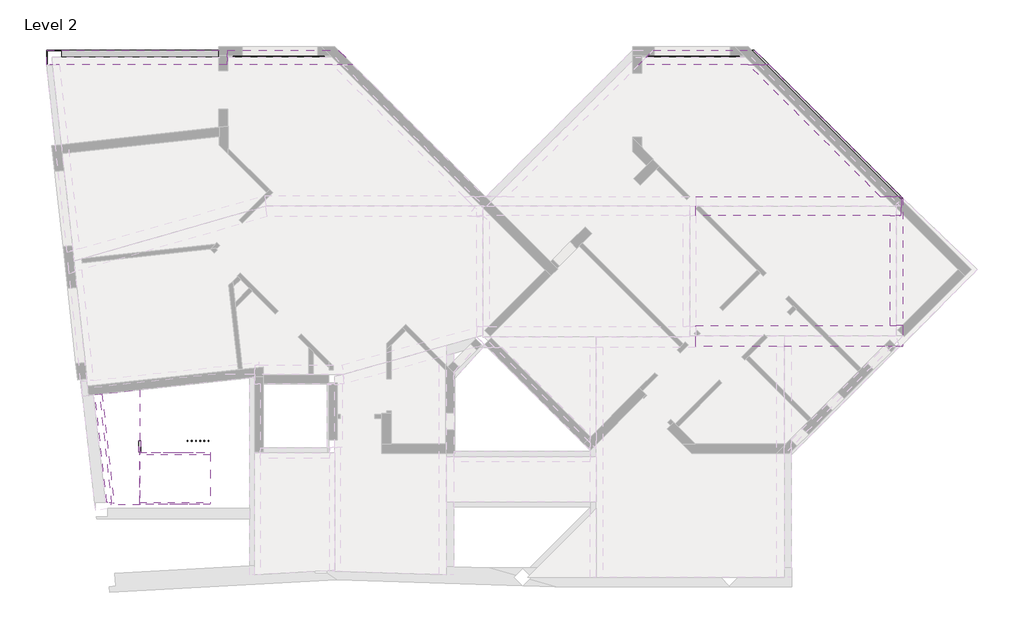
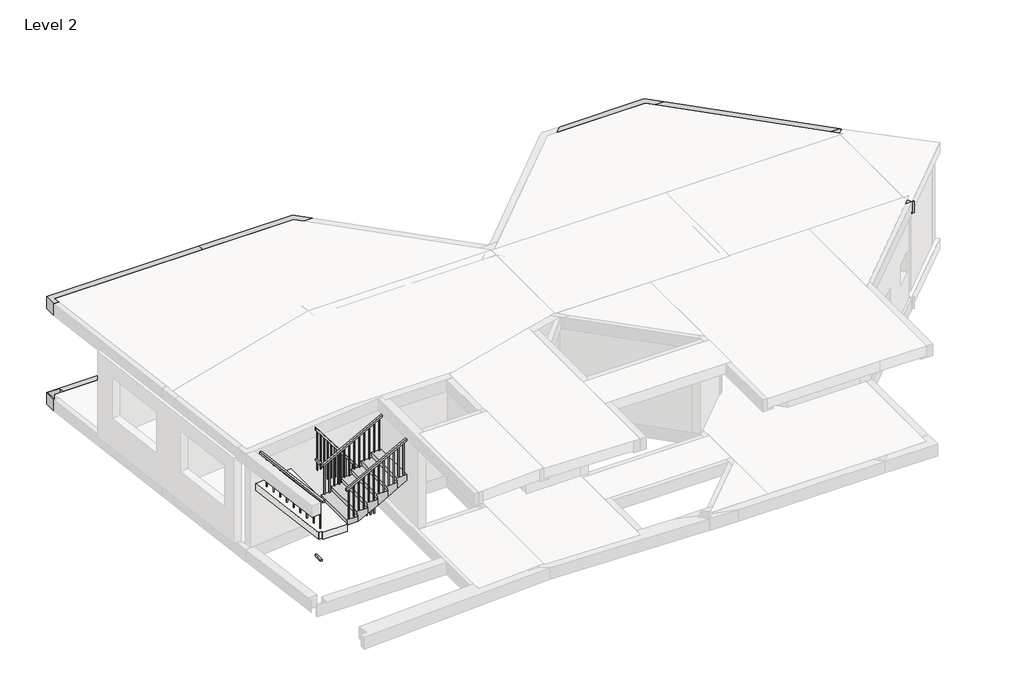
# One storey, part 5 of 5: 13 beams, 6 railings, 1 slab, 1 stair flight.
"""IFC4 building model written with IfcOpenShell, lengths in millimetres."""

from ifc_helpers import new_model, si_unit, frame, origin, place, context, project, spatial, polyline, outline, extrude, faceted_brep, element, save

model = new_model("IFC4")

# Units and contexts
model_context = context("Model", 3, world=origin())
ifc_project = project(units=[si_unit("LENGTHUNIT", "METRE", prefix="MILLI")], contexts=[model_context])

# Site, building, storey
site = spatial("IfcSite", under=ifc_project)
building = spatial("IfcBuilding", under=site)
storey = spatial("IfcBuildingStorey", under=building, Name="Level 2", Elevation=4250.0)

# Beams
placement = place(None, origin())
element("IfcBeam", 1, ObjectType="Concrete-Rectangular Beam : 300 x 350mm 2", at=placement, inside=storey, context=model_context, shape_type="Brep", body=[
    faceted_brep([(19862.6158019, -3743.9837675, 3900.0), (19862.6158019, -6362.0, 3900.0), (19862.6158019, -6362.0, 3950.0), (19862.6158019, -3743.9837675, 3950.0), (20162.6158019, -6362.0, 3900.0), (20080.9837675, -3743.9837675, 3900.0), (20125.9585144, -3743.9837675, 3900.0), (20125.9585144, -3617.7730894, 3900.0), (20162.6158019, -3581.1158019, 3900.0), (20162.6158019, -3581.1158019, 3950.0), (20162.6158019, -6362.0, 3950.0), (20125.9585144, -3743.9837675, 3950.0), (20125.9585144, -3617.7730894, 3950.0)], [[[0, 1, 2, 3]], [[4, 1, 0, 5, 6, 7, 8]], [[4, 8, 9, 10]], [[1, 4, 10, 2]], [[5, 0, 3, 11, 6]], [[7, 6, 11, 12]], [[8, 7, 12, 9]], [[3, 2, 10, 9, 12, 11]]]),
    faceted_brep([(20162.6158019, -3330.6410551, 3950.0), (20125.9585144, -3367.2983426, 3950.0), (20125.9585144, -3420.1944457, 3950.0), (20162.6158019, -3456.8517332, 3950.0), (20125.9585144, -3293.9837675, 4250.0), (20162.6158019, -3330.6410551, 4250.0), (20162.6158019, -3330.6410551, 3900.0), (20125.9585144, -3293.9837675, 3900.0), (20125.9585144, -3420.1944457, 3900.0), (20162.6158019, -3456.8517332, 3900.0), (20125.9585144, -3367.2983426, 4250.0)], [[[0, 1, 2, 3]], [[4, 5, 0, 6, 7]], [[8, 9, 3, 2]], [[5, 4, 10]], [[7, 6, 9, 8]], [[9, 6, 0, 3]], [[4, 7, 8, 2, 1, 10]], [[1, 0, 5, 10]]]),
])
element("IfcBeam", 2, ObjectType="Concrete-Rectangular Beam : 300 x 350mm 2", at=placement, inside=storey, context=model_context, shape_type="Brep", body=[
    faceted_brep([(20162.6158019, -3330.6410551, 7100.0), (20125.9585144, -3293.9837675, 7100.0), (20125.9585144, -3367.2983426, 7100.0), (19862.6158019, -6362.0, 6750.0), (19862.6158019, -6362.0, 6800.0), (19862.6158019, -3743.9837675, 6800.0), (19862.6158019, -3743.9837675, 6750.0), (20162.6158019, -6362.0, 6750.0), (20080.9837675, -3743.9837675, 6750.0), (20125.9585144, -3743.9837675, 6750.0), (20125.9585144, -3293.9837675, 6750.0), (20162.6158019, -3330.6410551, 6750.0), (20162.6158019, -3330.6410551, 6800.0), (20162.6158019, -6362.0, 6800.0), (20080.9837675, -3743.9837675, 6800.0), (20125.9585144, -3743.9837675, 6800.0), (20125.9585144, -3367.2983426, 6800.0)], [[[0, 1, 2]], [[3, 4, 5, 6]], [[7, 3, 6, 8, 9, 10, 11]], [[12, 13, 7, 11]], [[3, 7, 13, 4]], [[6, 5, 14, 15, 9, 8]], [[5, 4, 13, 12, 16, 15, 14]], [[1, 0, 12, 11, 10]], [[10, 9, 15, 16, 2, 1]], [[16, 12, 0, 2]]]),
])
element("IfcBeam", 3, ObjectType="Concrete-Rectangular Beam : 350 x 350mm 2", at=placement, inside=storey, context=model_context, shape_type="Brep", body=[
    faceted_brep([(4100.0, 191.0, 4250.0), (-190.5522388, 191.0, 4250.0), (-190.5522388, -159.0, 4250.0), (-175.0, -159.0, 4250.0), (-175.0, 175.0, 4250.0), (175.0, 175.0, 4250.0), (175.0, 16.0, 4250.0), (3953.5, 16.0, 4250.0), (3953.5, 146.0, 4250.0), (4100.0, 146.0, 4250.0), (175.0, -159.0, 3900.0), (4100.0, -159.0, 3900.0), (4100.0, -159.0, 3950.0), (175.0, -159.0, 3950.0), (-190.5522388, 191.0, 3900.0), (4100.0, 191.0, 3900.0), (4100.0, 146.0, 3900.0), (3953.5, 146.0, 3900.0), (3953.5, -154.0, 3900.0), (4100.0, -154.0, 3900.0), (175.0, 175.0, 3900.0), (-175.0, 175.0, 3900.0), (-175.0, -159.0, 3900.0), (-190.5522388, -159.0, 3900.0), (4100.0, -154.0, 3950.0), (175.0, 16.0, 3950.0), (3953.5, 16.0, 3950.0), (3953.5, -154.0, 3950.0)], [[[0, 1, 2, 3, 4, 5, 6, 7, 8, 9]], [[10, 11, 12, 13]], [[14, 15, 16, 17, 18, 19, 11, 10, 20, 21, 22, 23]], [[1, 0, 15, 14]], [[1, 14, 23, 2]], [[11, 19, 24, 12]], [[20, 5, 4, 21]], [[5, 20, 10, 13, 25, 6]], [[8, 17, 16, 9]], [[17, 8, 7, 26, 27, 18]], [[19, 18, 27, 24]], [[15, 0, 9, 16]], [[21, 4, 3, 22]], [[2, 23, 22, 3]], [[26, 25, 13, 12, 24, 27]], [[25, 26, 7, 6]]]),
])
element("IfcBeam", 4, ObjectType="Concrete-Rectangular Beam : 350 x 350mm 2", at=placement, inside=storey, context=model_context, shape_type="Brep", body=[
    faceted_brep([(4100.0, 191.0, 4250.0), (4100.0, 146.0, 4250.0), (4253.5, 146.0, 4250.0), (4253.5, 16.0, 4250.0), (6416.0, 16.0, 4250.0), (6416.0, 166.0, 4250.0), (6716.0, 166.0, 4250.0), (6716.0, -29.5126266, 4250.0), (6845.4873734, -159.0, 4250.0), (7092.9747468, -159.0, 4250.0), (6742.9747468, 191.0, 4250.0), (4100.0, -159.0, 3900.0), (6598.0, -159.0, 3900.0), (7092.9747468, -159.0, 3900.0), (6845.4873734, -159.0, 3950.0), (6598.0, -159.0, 3950.0), (4100.0, -159.0, 3950.0), (4100.0, 146.0, 3900.0), (4100.0, 191.0, 3900.0), (6742.9747468, 191.0, 3900.0), (4100.0, -154.0, 3900.0), (4253.5, -154.0, 3900.0), (4253.5, 146.0, 3900.0), (6716.0, 166.0, 3900.0), (6416.0, 166.0, 3900.0), (6416.0, -134.0, 3900.0), (6716.0, -134.0, 3900.0), (4100.0, -154.0, 3950.0), (4253.5, -154.0, 3950.0), (4253.5, 16.0, 3950.0), (6416.0, 16.0, 3950.0), (6416.0, -134.0, 3950.0), (6716.0, -134.0, 3950.0), (6716.0, -29.5126266, 3950.0)], [[[0, 1, 2, 3, 4, 5, 6, 7, 8, 9, 10]], [[11, 12, 13, 9, 8, 14, 15, 16]], [[17, 18, 19, 13, 12, 11, 20, 21, 22], [23, 24, 25, 26]], [[18, 0, 10, 19]], [[0, 18, 17, 1]], [[22, 2, 1, 17]], [[21, 20, 27, 28]], [[2, 22, 21, 28, 29, 3]], [[20, 11, 16, 27]], [[5, 24, 23, 6]], [[24, 5, 4, 30, 31, 25]], [[26, 25, 31, 32]], [[10, 9, 13, 19]], [[6, 23, 26, 32, 33, 7]], [[14, 33, 32, 31, 30, 29, 28, 27, 16, 15]], [[29, 30, 4, 3]], [[33, 14, 8, 7]]]),
])
element("IfcBeam", 5, ObjectType="Concrete-Rectangular Beam : 350 x 350mm 2", at=placement, inside=storey, context=model_context, shape_type="Brep", body=[
    faceted_brep([(14238.5, 191.0, 4250.0), (14088.5, 41.0, 4250.0), (14088.5, 16.0, 4250.0), (16284.0, 16.0, 4250.0), (16284.0, 166.0, 4250.0), (16584.0, 166.0, 4250.0), (16584.0, 0.4873734, 4250.0), (16743.4873734, -159.0, 4250.0), (16990.9747468, -159.0, 4250.0), (16640.9747468, 191.0, 4250.0), (16990.9747468, -159.0, 3900.0), (16743.4873734, -159.0, 3950.0), (16496.0, -159.0, 3950.0), (13888.5, -159.0, 3950.0), (13888.5, -159.0, 3900.0), (16496.0, -159.0, 3900.0), (13893.5, -154.0, 3900.0), (14088.5, -154.0, 3900.0), (14088.5, 41.0, 3900.0), (14238.5, 191.0, 3900.0), (16640.9747468, 191.0, 3900.0), (16584.0, 166.0, 3900.0), (16284.0, 166.0, 3900.0), (16284.0, -134.0, 3900.0), (16584.0, -134.0, 3900.0), (13893.5, -154.0, 3950.0), (14088.5, -154.0, 3950.0), (14088.5, 16.0, 3950.0), (16284.0, 16.0, 3950.0), (16284.0, -134.0, 3950.0), (16584.0, -134.0, 3950.0), (16584.0, 0.4873734, 3950.0)], [[[0, 1, 2, 3, 4, 5, 6, 7, 8, 9]], [[10, 8, 7, 11, 12, 13, 14, 15]], [[14, 16, 17, 18, 19, 20, 10, 15], [21, 22, 23, 24]], [[19, 0, 9, 20]], [[0, 19, 18, 1]], [[17, 16, 25, 26]], [[18, 17, 26, 27, 2, 1]], [[16, 14, 13, 25]], [[4, 22, 21, 5]], [[22, 4, 3, 28, 29, 23]], [[24, 23, 29, 30]], [[9, 8, 10, 20]], [[5, 21, 24, 30, 31, 6]], [[28, 27, 26, 25, 13, 12, 11, 31, 30, 29]], [[31, 11, 7, 6]], [[27, 28, 3, 2]]]),
])
element("IfcBeam", 6, ObjectType="Concrete-Rectangular Beam : 350 x 350mm 2", at=placement, inside=storey, context=model_context, shape_type="Brep", body=[
    faceted_brep([(16990.9747468, -159.0, 4250.0), (20125.9585144, -3293.9837675, 4250.0), (20125.9585144, -3293.9837675, 3900.0), (16990.9747468, -159.0, 3900.0), (16496.0, -159.0, 3900.0), (19630.9837675, -3293.9837675, 3900.0), (19630.9837675, -3293.9837675, 3950.0), (16496.0, -159.0, 3950.0), (16743.4873734, -159.0, 3950.0), (16743.4873734, -159.0, 4250.0), (19878.4711409, -3293.9837675, 4250.0), (19878.4711409, -3293.9837675, 3950.0)], [[[0, 1, 2, 3]], [[4, 5, 6, 7]], [[0, 3, 4, 7, 8, 9]], [[2, 1, 10, 11, 6, 5]], [[1, 0, 9, 10]], [[3, 2, 5, 4]], [[11, 8, 7, 6]], [[8, 11, 10, 9]]]),
])
element("IfcBeam", 7, ObjectType="Concrete-Rectangular Beam : 350 x 350mm 2", at=placement, inside=storey, context=model_context, shape_type="Brep", body=[
    faceted_brep([(4100.0, 191.0, 7100.0), (-190.5522388, 191.0, 7100.0), (-190.5522388, -159.0, 7100.0), (-39.6499138, -159.0, 7100.0), (-58.8737944, 16.0, 7100.0), (4100.0, 16.0, 7100.0), (-190.5522388, -159.0, 6750.0), (111.2524112, -159.0, 6750.0), (4100.0, -159.0, 6750.0), (4100.0, -159.0, 6800.0), (111.2524112, -159.0, 6800.0), (-39.6499138, -159.0, 6800.0), (-190.5522388, 191.0, 6750.0), (4100.0, 191.0, 6750.0), (4100.0, 16.0, 6800.0), (-58.8737944, 16.0, 6800.0)], [[[0, 1, 2, 3, 4, 5]], [[6, 7, 8, 9, 10, 11, 3, 2]], [[8, 7, 6, 12, 13]], [[1, 0, 13, 12]], [[14, 15, 11, 10, 9]], [[15, 4, 3, 11]], [[15, 14, 5, 4]], [[1, 12, 6, 2]], [[8, 13, 0, 5, 14, 9]]]),
])
element("IfcBeam", 8, ObjectType="Concrete-Rectangular Beam : 350 x 350mm 2", at=placement, inside=storey, context=model_context, shape_type="Brep", body=[
    faceted_brep([(6742.9747468, 191.0, 7100.0), (4100.0, 191.0, 7100.0), (4100.0, 16.0, 7100.0), (6670.4873734, 16.0, 7100.0), (6845.4873734, -159.0, 7100.0), (7092.9747468, -159.0, 7100.0), (4100.0, -159.0, 6750.0), (6598.0, -159.0, 6750.0), (7092.9747468, -159.0, 6750.0), (6845.4873734, -159.0, 6800.0), (6598.0, -159.0, 6800.0), (4100.0, -159.0, 6800.0), (4100.0, 191.0, 6750.0), (6742.9747468, 191.0, 6750.0), (6670.4873734, 16.0, 6800.0), (4100.0, 16.0, 6800.0)], [[[0, 1, 2, 3, 4, 5]], [[6, 7, 8, 5, 4, 9, 10, 11]], [[8, 7, 6, 12, 13]], [[1, 0, 13, 12]], [[14, 15, 11, 10, 9]], [[15, 14, 3, 2]], [[0, 5, 8, 13]], [[1, 12, 6, 11, 15, 2]], [[3, 14, 9, 4]]]),
])
element("IfcBeam", 9, ObjectType="Concrete-Rectangular Beam : 350 x 350mm 2", at=placement, inside=storey, context=model_context, shape_type="Brep", body=[
    faceted_brep([(16990.9747468, -159.0, 7100.0), (16640.9747468, 191.0, 7100.0), (14238.5, 191.0, 7100.0), (14063.5, 16.0, 7100.0), (16568.4873734, 16.0, 7100.0), (16743.4873734, -159.0, 7100.0), (16990.9747468, -159.0, 6750.0), (16743.4873734, -159.0, 6800.0), (16496.0, -159.0, 6800.0), (13888.5, -159.0, 6800.0), (13888.5, -159.0, 6750.0), (16496.0, -159.0, 6750.0), (14238.5, 191.0, 6750.0), (16640.9747468, 191.0, 6750.0), (14063.5, 16.0, 6800.0), (16568.4873734, 16.0, 6800.0)], [[[0, 1, 2, 3, 4, 5]], [[6, 0, 5, 7, 8, 9, 10, 11]], [[10, 12, 13, 6, 11]], [[1, 13, 12, 2]], [[12, 10, 9, 14, 3, 2]], [[15, 14, 9, 8, 7]], [[15, 4, 3, 14]], [[1, 0, 6, 13]], [[4, 15, 7, 5]]]),
])
element("IfcBeam", 10, ObjectType="Concrete-Rectangular Beam : 350 x 350mm 2", at=placement, inside=storey, context=model_context, shape_type="Brep", body=[
    faceted_brep([(20125.9585144, -3293.9837675, 7100.0), (16990.9747468, -159.0, 7100.0), (16743.4873734, -159.0, 7100.0), (19878.4711409, -3293.9837675, 7100.0), (16496.0, -159.0, 6750.0), (19630.9837675, -3293.9837675, 6750.0), (19630.9837675, -3293.9837675, 6800.0), (16496.0, -159.0, 6800.0), (20125.9585144, -3293.9837675, 6750.0), (16990.9747468, -159.0, 6750.0), (16743.4873734, -159.0, 6800.0), (19878.4711409, -3293.9837675, 6800.0)], [[[0, 1, 2, 3]], [[4, 5, 6, 7]], [[8, 5, 4, 9]], [[1, 0, 8, 9]], [[9, 4, 7, 10, 2, 1]], [[5, 8, 0, 3, 11, 6]], [[11, 10, 7, 6]], [[10, 11, 3, 2]]]),
])
element("IfcBeam", 11, ObjectType="Concrete-Rectangular Beam : 450 x 350mm 2", at=placement, inside=storey, context=model_context, shape_type="Brep", body=[
    faceted_brep([(19951.9774542, -3367.4900808, 4250.0), (20012.6158019, -3306.8517332, 4250.0), (20099.5104628, -3393.7463941, 4250.0), (20125.9585144, -3367.2983426, 4250.0), (20125.9585144, -3293.9837675, 4250.0), (19878.4711409, -3293.9837675, 4250.0), (15247.6858143, -3743.9837675, 3900.0), (19862.6158019, -3743.9837675, 3900.0), (20125.9585144, -3743.9837675, 3900.0), (20125.9585144, -3743.9837675, 3950.0), (19862.6158019, -3743.9837675, 3950.0), (15247.6858143, -3743.9837675, 3950.0), (15247.6858143, -3581.0965551, 3900.0), (15309.8177015, -3518.8181304, 3900.0), (15247.6858143, -3456.8324359, 3900.0), (15247.6858143, -3293.9837675, 3900.0), (19630.9837675, -3293.9837675, 3900.0), (20125.9585144, -3293.9837675, 3900.0), (20125.9585144, -3420.1944457, 3900.0), (20012.6158019, -3306.8517332, 3900.0), (19800.4837675, -3518.9837675, 3900.0), (20012.6158019, -3731.1158019, 3900.0), (20125.9585144, -3617.7730894, 3900.0), (15247.6858143, -3293.9837675, 3950.0), (19630.9837675, -3293.9837675, 3950.0), (19878.4711409, -3293.9837675, 3950.0), (20125.9585144, -3617.7730894, 3950.0), (15247.6858143, -3581.0965551, 3950.0), (15309.8177015, -3518.8181304, 3950.0), (15247.6858143, -3456.8324359, 3950.0), (20125.9585144, -3420.1944457, 3950.0), (20099.5104628, -3393.7463941, 3950.0), (19951.9774542, -3367.4900808, 3950.0), (19800.4837675, -3518.9837675, 3950.0), (20012.6158019, -3731.1158019, 3950.0), (20125.9585144, -3367.2983426, 3950.0)], [[[0, 1, 2, 3, 4, 5]], [[6, 7, 8, 9, 10, 11]], [[12, 13, 14, 15, 16, 17, 18, 19, 20, 21, 22, 8, 7, 6]], [[4, 17, 16, 15, 23, 24, 25, 5]], [[8, 22, 26, 9]], [[13, 12, 27, 28]], [[14, 13, 28, 29]], [[1, 19, 18, 30, 31, 2]], [[19, 1, 0, 32, 33, 20]], [[21, 20, 33, 34]], [[22, 21, 34, 26]], [[17, 4, 3, 35, 30, 18]], [[15, 14, 29, 23]], [[12, 6, 11, 27]], [[32, 25, 24, 23, 29, 28, 27, 11, 10, 9, 26, 34, 33]], [[25, 32, 0, 5]], [[31, 35, 3, 2]], [[35, 31, 30]]]),
])
element("IfcBeam", 12, ObjectType="Concrete-Rectangular Beam : 450 x 350mm 2", at=placement, inside=storey, context=model_context, shape_type="Brep", body=[
    faceted_brep([(20125.9585144, -3293.9837675, 7100.0), (19878.4711409, -3293.9837675, 7100.0), (20038.8721152, -3454.3847418, 7100.0), (20125.9585144, -3367.2983426, 7100.0), (20125.9585144, -3743.9837675, 6800.0), (19862.6158019, -3743.9837675, 6800.0), (15247.6858143, -3743.9837675, 6800.0), (15247.6858143, -3743.9837675, 6750.0), (19862.6158019, -3743.9837675, 6750.0), (20125.9585144, -3743.9837675, 6750.0), (20125.9585144, -3293.9837675, 6750.0), (15247.6858143, -3293.9837675, 6750.0), (19630.9837675, -3293.9837675, 6750.0), (15247.6858143, -3293.9837675, 6800.0), (19630.9837675, -3293.9837675, 6800.0), (19878.4711409, -3293.9837675, 6800.0), (20125.9585144, -3367.2983426, 6800.0), (20038.8721152, -3454.3847418, 6800.0)], [[[0, 1, 2, 3]], [[4, 5, 6, 7, 8, 9]], [[10, 9, 8, 7, 11, 12]], [[13, 14, 15, 1, 0, 10, 12, 11]], [[15, 14, 13, 6, 5, 4, 16, 17]], [[1, 15, 17, 2]], [[17, 16, 3, 2]], [[9, 10, 0, 3, 16, 4]], [[11, 7, 6, 13]]]),
])
element("IfcBeam", 13, ObjectType="Concrete-Rectangular Beam : 500 x 350mm 2", at=placement, inside=storey, context=model_context, shape_type="Brep", body=[
    faceted_brep([(20162.6158019, -6862.0, 7100.0), (20162.6158019, -6808.6777827, 7100.0), (20109.2935846, -6862.0, 7100.0), (19914.2233047, -6862.0, 7100.0), (19914.2233047, -6862.0, 6800.0), (19737.4466094, -6862.0, 6800.0), (17517.5, -6862.0, 6800.0), (17167.5, -6862.0, 6800.0), (15247.6858143, -6862.0, 6800.0), (15247.6858143, -6862.0, 6750.0), (17167.5, -6862.0, 6750.0), (17517.5, -6862.0, 6750.0), (19737.4466094, -6862.0, 6750.0), (20091.0, -6862.0, 6750.0), (20162.6158019, -6862.0, 6750.0), (20109.2935846, -6862.0, 6800.0), (20096.6228269, -6862.0, 6800.0), (20096.6228269, -6862.0, 7100.0), (20091.0, -6862.0, 7100.0), (20162.6158019, -6362.0, 6750.0), (15247.6858143, -6388.0, 6750.0), (15247.6858143, -6362.0, 6750.0), (19862.6158019, -6362.0, 6750.0), (15247.6858143, -6362.0, 6800.0), (19862.6158019, -6362.0, 6800.0), (20162.6158019, -6362.0, 6800.0), (15247.6858143, -6388.0, 6800.0), (20050.7470217, -6725.476283, 6800.0), (20162.6158019, -6808.6777827, 6800.0), (20050.7470217, -6725.476283, 7100.0)], [[[0, 1, 2]], [[3, 4, 5, 6, 7, 8, 9, 10, 11, 12, 13, 14, 0, 2, 15, 16, 17, 18]], [[19, 14, 13, 12, 11, 10, 9, 20, 21, 22]], [[21, 23, 24, 25, 19, 22]], [[23, 26, 8, 7, 6, 5, 4, 27, 16, 15, 28, 25, 24]], [[4, 3, 29, 27]], [[16, 27, 29, 17]], [[0, 14, 19, 25, 28, 1]], [[23, 21, 20, 9, 8, 26]], [[28, 15, 2, 1]], [[29, 3, 18, 17]]]),
])

# Railings
element("IfcRailing", 14, ObjectType="900mm", at=placement, inside=storey, context=model_context, shape_type="SweptSolid", body=[
    extrude(outline(polyline([(1999.9426716, -9106.4751231), (2049.9426716, -9106.4751231), (2049.9426716, -9366.4751231), (1999.9426716, -9366.4751231), (1999.9426716, -9106.4751231)])), frame((0.0, 0.0, 4240.0), z_axis=(0.0, 0.0, 1.0), x_axis=(1.0, 0.0, 0.0)), (0.0, 0.0, 1.0), 50.0),
])
element("IfcRailing", 15, ObjectType="900mm", at=placement, inside=storey, context=model_context, shape_type="SweptSolid", body=[
    extrude(outline(polyline([(1077.4776188, -7993.4738508), (1127.1787156, -7988.0148238), (1413.231726, -10592.3522972), (1363.5306292, -10597.8113241), (1077.4776188, -7993.4738508)])), frame((0.0, 0.0, 6950.0), z_axis=(0.0, 0.0, 1.0), x_axis=(1.0, 0.0, 0.0)), (0.0, 0.0, 1.0), 50.0),
    extrude(outline(polyline([(1361.5179748, -10442.1002159), (1381.3984135, -10439.9166051), (1383.5820243, -10459.7970439), (1363.7015856, -10461.9806546), (1361.5179748, -10442.1002159)])), frame((0.0, 0.0, 6100.0), z_axis=(0.0, 0.0, 1.0), x_axis=(1.0, 0.0, 0.0)), (0.0, 0.0, 1.0), 850.0),
    extrude(outline(polyline([(1331.4933268, -10168.7441834), (1351.3737655, -10166.5605726), (1353.5573763, -10186.4410114), (1333.6769375, -10188.6246221), (1331.4933268, -10168.7441834)])), frame((0.0, 0.0, 6100.0), z_axis=(0.0, 0.0, 1.0), x_axis=(1.0, 0.0, 0.0)), (0.0, 0.0, 1.0), 850.0),
    extrude(outline(polyline([(1301.4686787, -9895.3881509), (1321.3491175, -9893.2045401), (1323.5327282, -9913.0849789), (1303.6522895, -9915.2685896), (1301.4686787, -9895.3881509)])), frame((0.0, 0.0, 6100.0), z_axis=(0.0, 0.0, 1.0), x_axis=(1.0, 0.0, 0.0)), (0.0, 0.0, 1.0), 850.0),
    extrude(outline(polyline([(1271.4440307, -9622.0321184), (1291.3244694, -9619.8485076), (1293.5080802, -9639.7289463), (1273.6276415, -9641.9125571), (1271.4440307, -9622.0321184)])), frame((0.0, 0.0, 6100.0), z_axis=(0.0, 0.0, 1.0), x_axis=(1.0, 0.0, 0.0)), (0.0, 0.0, 1.0), 850.0),
    extrude(outline(polyline([(1241.4193827, -9348.6760859), (1261.2998214, -9346.4924751), (1263.4834321, -9366.3729138), (1243.6029934, -9368.5565246), (1241.4193827, -9348.6760859)])), frame((0.0, 0.0, 6100.0), z_axis=(0.0, 0.0, 1.0), x_axis=(1.0, 0.0, 0.0)), (0.0, 0.0, 1.0), 850.0),
    extrude(outline(polyline([(1211.3947346, -9075.3200534), (1231.2751733, -9073.1364426), (1233.4587841, -9093.0168813), (1213.5783454, -9095.2004921), (1211.3947346, -9075.3200534)])), frame((0.0, 0.0, 6100.0), z_axis=(0.0, 0.0, 1.0), x_axis=(1.0, 0.0, 0.0)), (0.0, 0.0, 1.0), 850.0),
    extrude(outline(polyline([(1181.3700866, -8801.9640208), (1201.2505253, -8799.7804101), (1203.4341361, -8819.6608488), (1183.5536973, -8821.8444596), (1181.3700866, -8801.9640208)])), frame((0.0, 0.0, 6100.0), z_axis=(0.0, 0.0, 1.0), x_axis=(1.0, 0.0, 0.0)), (0.0, 0.0, 1.0), 850.0),
    extrude(outline(polyline([(1151.3454385, -8528.6079883), (1171.2258773, -8526.4243776), (1173.409488, -8546.3048163), (1153.5290493, -8548.4884271), (1151.3454385, -8528.6079883)])), frame((0.0, 0.0, 6100.0), z_axis=(0.0, 0.0, 1.0), x_axis=(1.0, 0.0, 0.0)), (0.0, 0.0, 1.0), 850.0),
    extrude(outline(polyline([(1121.3207905, -8255.2519558), (1141.2012292, -8253.0683451), (1143.38484, -8272.9487838), (1123.5044013, -8275.1323946), (1121.3207905, -8255.2519558)])), frame((0.0, 0.0, 6100.0), z_axis=(0.0, 0.0, 1.0), x_axis=(1.0, 0.0, 0.0)), (0.0, 0.0, 1.0), 850.0),
])
element("IfcRailing", 16, ObjectType="900mm", at=placement, inside=storey, context=model_context, shape_type="SweptSolid", body=[
    extrude(outline(polyline([(5755.9167927, 3711.5922454), (5838.5714286, 3711.5922454), (8058.7530104, 2024.9426716), (7976.0983745, 2024.9426716), (5755.9167927, 3711.5922454)])), frame((0.0, -9131.4751231, 0.0), z_axis=(0.0, 1.0, 0.0), x_axis=(0.0, 0.0, 1.0)), (0.0, 0.0, 1.0), 50.0),
    extrude(outline(polyline([(7914.6923029, 2071.5922454), (7941.0188335, 2051.5922454), (6781.4285714, 2051.5922454), (6781.4285714, 2071.5922454), (7914.6923029, 2071.5922454)])), frame((0.0, -9116.4751231, 0.0), z_axis=(0.0, 1.0, 0.0), x_axis=(0.0, 0.0, 1.0)), (0.0, 0.0, 1.0), 20.0),
    extrude(outline(polyline([(7783.0596498, 2171.5922454), (7809.3861804, 2151.5922454), (6781.4285714, 2151.5922454), (6781.4285714, 2171.5922454), (7783.0596498, 2171.5922454)])), frame((0.0, -9116.4751231, 0.0), z_axis=(0.0, 1.0, 0.0), x_axis=(0.0, 0.0, 1.0)), (0.0, 0.0, 1.0), 20.0),
    extrude(outline(polyline([(7651.4269967, 2271.5922454), (7677.7535274, 2251.5922454), (6781.4285714, 2251.5922454), (6781.4285714, 2271.5922454), (7651.4269967, 2271.5922454)])), frame((0.0, -9116.4751231, 0.0), z_axis=(0.0, 1.0, 0.0), x_axis=(0.0, 0.0, 1.0)), (0.0, 0.0, 1.0), 20.0),
    extrude(outline(polyline([(7519.7943437, 2371.5922454), (7546.1208743, 2351.5922454), (6412.8571429, 2351.5922454), (6412.8571429, 2371.5922454), (7519.7943437, 2371.5922454)])), frame((0.0, -9116.4751231, 0.0), z_axis=(0.0, 1.0, 0.0), x_axis=(0.0, 0.0, 1.0)), (0.0, 0.0, 1.0), 20.0),
    extrude(outline(polyline([(7388.1616906, 2471.5922454), (7414.4882212, 2451.5922454), (6412.8571429, 2451.5922454), (6412.8571429, 2471.5922454), (7388.1616906, 2471.5922454)])), frame((0.0, -9116.4751231, 0.0), z_axis=(0.0, 1.0, 0.0), x_axis=(0.0, 0.0, 1.0)), (0.0, 0.0, 1.0), 20.0),
    extrude(outline(polyline([(7256.5290376, 2571.5922454), (7282.8555682, 2551.5922454), (6412.8571429, 2551.5922454), (6412.8571429, 2571.5922454), (7256.5290376, 2571.5922454)])), frame((0.0, -9116.4751231, 0.0), z_axis=(0.0, 1.0, 0.0), x_axis=(0.0, 0.0, 1.0)), (0.0, 0.0, 1.0), 20.0),
    extrude(outline(polyline([(7124.8963845, 2671.5922454), (7151.2229151, 2651.5922454), (6044.2857143, 2651.5922454), (6044.2857143, 2671.5922454), (7124.8963845, 2671.5922454)])), frame((0.0, -9116.4751231, 0.0), z_axis=(0.0, 1.0, 0.0), x_axis=(0.0, 0.0, 1.0)), (0.0, 0.0, 1.0), 20.0),
    extrude(outline(polyline([(6993.2637314, 2771.5922454), (7019.590262, 2751.5922454), (6044.2857143, 2751.5922454), (6044.2857143, 2771.5922454), (6993.2637314, 2771.5922454)])), frame((0.0, -9116.4751231, 0.0), z_axis=(0.0, 1.0, 0.0), x_axis=(0.0, 0.0, 1.0)), (0.0, 0.0, 1.0), 20.0),
    extrude(outline(polyline([(6861.6310784, 2871.5922454), (6887.957609, 2851.5922454), (6044.2857143, 2851.5922454), (6044.2857143, 2871.5922454), (6861.6310784, 2871.5922454)])), frame((0.0, -9116.4751231, 0.0), z_axis=(0.0, 1.0, 0.0), x_axis=(0.0, 0.0, 1.0)), (0.0, 0.0, 1.0), 20.0),
    extrude(outline(polyline([(6729.9984253, 2971.5922454), (6756.3249559, 2951.5922454), (5675.7142857, 2951.5922454), (5675.7142857, 2971.5922454), (6729.9984253, 2971.5922454)])), frame((0.0, -9116.4751231, 0.0), z_axis=(0.0, 1.0, 0.0), x_axis=(0.0, 0.0, 1.0)), (0.0, 0.0, 1.0), 20.0),
    extrude(outline(polyline([(6598.3657722, 3071.5922454), (6624.6923029, 3051.5922454), (5675.7142857, 3051.5922454), (5675.7142857, 3071.5922454), (6598.3657722, 3071.5922454)])), frame((0.0, -9116.4751231, 0.0), z_axis=(0.0, 1.0, 0.0), x_axis=(0.0, 0.0, 1.0)), (0.0, 0.0, 1.0), 20.0),
    extrude(outline(polyline([(6466.7331192, 3171.5922454), (6493.0596498, 3151.5922454), (5307.1428571, 3151.5922454), (5307.1428571, 3171.5922454), (6466.7331192, 3171.5922454)])), frame((0.0, -9116.4751231, 0.0), z_axis=(0.0, 1.0, 0.0), x_axis=(0.0, 0.0, 1.0)), (0.0, 0.0, 1.0), 20.0),
    extrude(outline(polyline([(6335.1004661, 3271.5922454), (6361.4269967, 3251.5922454), (5307.1428571, 3251.5922454), (5307.1428571, 3271.5922454), (6335.1004661, 3271.5922454)])), frame((0.0, -9116.4751231, 0.0), z_axis=(0.0, 1.0, 0.0), x_axis=(0.0, 0.0, 1.0)), (0.0, 0.0, 1.0), 20.0),
    extrude(outline(polyline([(6203.4678131, 3371.5922454), (6229.7943437, 3351.5922454), (5307.1428571, 3351.5922454), (5307.1428571, 3371.5922454), (6203.4678131, 3371.5922454)])), frame((0.0, -9116.4751231, 0.0), z_axis=(0.0, 1.0, 0.0), x_axis=(0.0, 0.0, 1.0)), (0.0, 0.0, 1.0), 20.0),
    extrude(outline(polyline([(6071.83516, 3471.5922454), (6098.1616906, 3451.5922454), (4938.5714286, 3451.5922454), (4938.5714286, 3471.5922454), (6071.83516, 3471.5922454)])), frame((0.0, -9116.4751231, 0.0), z_axis=(0.0, 1.0, 0.0), x_axis=(0.0, 0.0, 1.0)), (0.0, 0.0, 1.0), 20.0),
    extrude(outline(polyline([(5940.2025069, 3571.5922454), (5966.5290376, 3551.5922454), (4938.5714286, 3551.5922454), (4938.5714286, 3571.5922454), (5940.2025069, 3571.5922454)])), frame((0.0, -9116.4751231, 0.0), z_axis=(0.0, 1.0, 0.0), x_axis=(0.0, 0.0, 1.0)), (0.0, 0.0, 1.0), 20.0),
    extrude(outline(polyline([(5808.5698539, 3671.5922454), (5834.8963845, 3651.5922454), (4938.5714286, 3651.5922454), (4938.5714286, 3671.5922454), (5808.5698539, 3671.5922454)])), frame((0.0, -9116.4751231, 0.0), z_axis=(0.0, 1.0, 0.0), x_axis=(0.0, 0.0, 1.0)), (0.0, 0.0, 1.0), 20.0),
])
element("IfcRailing", 17, ObjectType="900mm", at=placement, inside=storey, context=model_context, shape_type="SweptSolid", body=[
    extrude(outline(polyline([(7132.8571429, 2021.1968697), (7075.8916519, 2021.1968697), (7993.034509, 3701.1968697), (8050.0, 3701.1968697), (7132.8571429, 2021.1968697)])), frame((0.0, -10622.9406474, 0.0), z_axis=(0.0, 1.0, 0.0), x_axis=(0.0, 0.0, 1.0)), (0.0, 0.0, 1.0), 50.0),
    extrude(outline(polyline([(7949.3610397, 3621.1968697), (6997.1428571, 3621.1968697), (6997.1428571, 3641.1968697), (7960.279407, 3641.1968697), (7949.3610397, 3621.1968697)])), frame((0.0, -10607.9406474, 0.0), z_axis=(0.0, 1.0, 0.0), x_axis=(0.0, 0.0, 1.0)), (0.0, 0.0, 1.0), 20.0),
    extrude(outline(polyline([(7872.9324682, 3481.1968697), (6997.1428571, 3481.1968697), (6997.1428571, 3501.1968697), (7883.8508356, 3501.1968697), (7872.9324682, 3481.1968697)])), frame((0.0, -10607.9406474, 0.0), z_axis=(0.0, 1.0, 0.0), x_axis=(0.0, 0.0, 1.0)), (0.0, 0.0, 1.0), 20.0),
    extrude(outline(polyline([(7796.5038968, 3341.1968697), (6844.2857143, 3341.1968697), (6844.2857143, 3361.1968697), (7807.4222641, 3361.1968697), (7796.5038968, 3341.1968697)])), frame((0.0, -10607.9406474, 0.0), z_axis=(0.0, 1.0, 0.0), x_axis=(0.0, 0.0, 1.0)), (0.0, 0.0, 1.0), 20.0),
    extrude(outline(polyline([(7720.0753254, 3201.1968697), (6844.2857143, 3201.1968697), (6844.2857143, 3221.1968697), (7730.9936927, 3221.1968697), (7720.0753254, 3201.1968697)])), frame((0.0, -10607.9406474, 0.0), z_axis=(0.0, 1.0, 0.0), x_axis=(0.0, 0.0, 1.0)), (0.0, 0.0, 1.0), 20.0),
    extrude(outline(polyline([(7643.6467539, 3061.1968697), (6691.4285714, 3061.1968697), (6691.4285714, 3081.1968697), (7654.5651213, 3081.1968697), (7643.6467539, 3061.1968697)])), frame((0.0, -10607.9406474, 0.0), z_axis=(0.0, 1.0, 0.0), x_axis=(0.0, 0.0, 1.0)), (0.0, 0.0, 1.0), 20.0),
    extrude(outline(polyline([(7567.2181825, 2921.1968697), (6691.4285714, 2921.1968697), (6691.4285714, 2941.1968697), (7578.1365499, 2941.1968697), (7567.2181825, 2921.1968697)])), frame((0.0, -10607.9406474, 0.0), z_axis=(0.0, 1.0, 0.0), x_axis=(0.0, 0.0, 1.0)), (0.0, 0.0, 1.0), 20.0),
    extrude(outline(polyline([(7490.7896111, 2781.1968697), (6538.5714286, 2781.1968697), (6538.5714286, 2801.1968697), (7501.7079784, 2801.1968697), (7490.7896111, 2781.1968697)])), frame((0.0, -10607.9406474, 0.0), z_axis=(0.0, 1.0, 0.0), x_axis=(0.0, 0.0, 1.0)), (0.0, 0.0, 1.0), 20.0),
    extrude(outline(polyline([(7414.3610397, 2641.1968697), (6538.5714286, 2641.1968697), (6538.5714286, 2661.1968697), (7425.279407, 2661.1968697), (7414.3610397, 2641.1968697)])), frame((0.0, -10607.9406474, 0.0), z_axis=(0.0, 1.0, 0.0), x_axis=(0.0, 0.0, 1.0)), (0.0, 0.0, 1.0), 20.0),
    extrude(outline(polyline([(7337.9324682, 2501.1968697), (6385.7142857, 2501.1968697), (6385.7142857, 2521.1968697), (7348.8508356, 2521.1968697), (7337.9324682, 2501.1968697)])), frame((0.0, -10607.9406474, 0.0), z_axis=(0.0, 1.0, 0.0), x_axis=(0.0, 0.0, 1.0)), (0.0, 0.0, 1.0), 20.0),
    extrude(outline(polyline([(7261.5038968, 2361.1968697), (6385.7142857, 2361.1968697), (6385.7142857, 2381.1968697), (7272.4222641, 2381.1968697), (7261.5038968, 2361.1968697)])), frame((0.0, -10607.9406474, 0.0), z_axis=(0.0, 1.0, 0.0), x_axis=(0.0, 0.0, 1.0)), (0.0, 0.0, 1.0), 20.0),
    extrude(outline(polyline([(7185.0753254, 2221.1968697), (6232.8571429, 2221.1968697), (6232.8571429, 2241.1968697), (7195.9936927, 2241.1968697), (7185.0753254, 2221.1968697)])), frame((0.0, -10607.9406474, 0.0), z_axis=(0.0, 1.0, 0.0), x_axis=(0.0, 0.0, 1.0)), (0.0, 0.0, 1.0), 20.0),
    extrude(outline(polyline([(7108.6467539, 2081.1968697), (6232.8571429, 2081.1968697), (6232.8571429, 2101.1968697), (7119.5651213, 2101.1968697), (7108.6467539, 2081.1968697)])), frame((0.0, -10607.9406474, 0.0), z_axis=(0.0, 1.0, 0.0), x_axis=(0.0, 0.0, 1.0)), (0.0, 0.0, 1.0), 20.0),
])
element("IfcRailing", 18, ObjectType="900mm", at=placement, inside=storey, context=model_context, shape_type="SweptSolid", body=[
    extrude(outline(polyline([(7132.8571429, 2021.1968697), (7075.8916519, 2021.1968697), (7993.034509, 3701.1968697), (8050.0, 3701.1968697), (7132.8571429, 2021.1968697)])), frame((0.0, -9435.6097641, 0.0), z_axis=(0.0, 1.0, 0.0), x_axis=(0.0, 0.0, 1.0)), (0.0, 0.0, 1.0), 50.0),
    extrude(outline(polyline([(6997.1428571, 3621.1968697), (6997.1428571, 3641.1968697), (7960.279407, 3641.1968697), (7949.3610397, 3621.1968697), (6997.1428571, 3621.1968697)])), frame((0.0, -9420.6097641, 0.0), z_axis=(0.0, 1.0, 0.0), x_axis=(0.0, 0.0, 1.0)), (0.0, 0.0, 1.0), 20.0),
    extrude(outline(polyline([(6997.1428571, 3481.1968697), (6997.1428571, 3501.1968697), (7883.8508356, 3501.1968697), (7872.9324682, 3481.1968697), (6997.1428571, 3481.1968697)])), frame((0.0, -9420.6097641, 0.0), z_axis=(0.0, 1.0, 0.0), x_axis=(0.0, 0.0, 1.0)), (0.0, 0.0, 1.0), 20.0),
    extrude(outline(polyline([(6844.2857143, 3341.1968697), (6844.2857143, 3361.1968697), (7807.4222641, 3361.1968697), (7796.5038968, 3341.1968697), (6844.2857143, 3341.1968697)])), frame((0.0, -9420.6097641, 0.0), z_axis=(0.0, 1.0, 0.0), x_axis=(0.0, 0.0, 1.0)), (0.0, 0.0, 1.0), 20.0),
    extrude(outline(polyline([(6844.2857143, 3201.1968697), (6844.2857143, 3221.1968697), (7730.9936927, 3221.1968697), (7720.0753254, 3201.1968697), (6844.2857143, 3201.1968697)])), frame((0.0, -9420.6097641, 0.0), z_axis=(0.0, 1.0, 0.0), x_axis=(0.0, 0.0, 1.0)), (0.0, 0.0, 1.0), 20.0),
    extrude(outline(polyline([(6691.4285714, 3061.1968697), (6691.4285714, 3081.1968697), (7654.5651213, 3081.1968697), (7643.6467539, 3061.1968697), (6691.4285714, 3061.1968697)])), frame((0.0, -9420.6097641, 0.0), z_axis=(0.0, 1.0, 0.0), x_axis=(0.0, 0.0, 1.0)), (0.0, 0.0, 1.0), 20.0),
    extrude(outline(polyline([(6691.4285714, 2921.1968697), (6691.4285714, 2941.1968697), (7578.1365499, 2941.1968697), (7567.2181825, 2921.1968697), (6691.4285714, 2921.1968697)])), frame((0.0, -9420.6097641, 0.0), z_axis=(0.0, 1.0, 0.0), x_axis=(0.0, 0.0, 1.0)), (0.0, 0.0, 1.0), 20.0),
    extrude(outline(polyline([(6538.5714286, 2781.1968697), (6538.5714286, 2801.1968697), (7501.7079784, 2801.1968697), (7490.7896111, 2781.1968697), (6538.5714286, 2781.1968697)])), frame((0.0, -9420.6097641, 0.0), z_axis=(0.0, 1.0, 0.0), x_axis=(0.0, 0.0, 1.0)), (0.0, 0.0, 1.0), 20.0),
    extrude(outline(polyline([(6538.5714286, 2641.1968697), (6538.5714286, 2661.1968697), (7425.279407, 2661.1968697), (7414.3610397, 2641.1968697), (6538.5714286, 2641.1968697)])), frame((0.0, -9420.6097641, 0.0), z_axis=(0.0, 1.0, 0.0), x_axis=(0.0, 0.0, 1.0)), (0.0, 0.0, 1.0), 20.0),
    extrude(outline(polyline([(6385.7142857, 2501.1968697), (6385.7142857, 2521.1968697), (7348.8508356, 2521.1968697), (7337.9324682, 2501.1968697), (6385.7142857, 2501.1968697)])), frame((0.0, -9420.6097641, 0.0), z_axis=(0.0, 1.0, 0.0), x_axis=(0.0, 0.0, 1.0)), (0.0, 0.0, 1.0), 20.0),
    extrude(outline(polyline([(6385.7142857, 2361.1968697), (6385.7142857, 2381.1968697), (7272.4222641, 2381.1968697), (7261.5038968, 2361.1968697), (6385.7142857, 2361.1968697)])), frame((0.0, -9420.6097641, 0.0), z_axis=(0.0, 1.0, 0.0), x_axis=(0.0, 0.0, 1.0)), (0.0, 0.0, 1.0), 20.0),
    extrude(outline(polyline([(6232.8571429, 2221.1968697), (6232.8571429, 2241.1968697), (7195.9936927, 2241.1968697), (7185.0753254, 2221.1968697), (6232.8571429, 2221.1968697)])), frame((0.0, -9420.6097641, 0.0), z_axis=(0.0, 1.0, 0.0), x_axis=(0.0, 0.0, 1.0)), (0.0, 0.0, 1.0), 20.0),
    extrude(outline(polyline([(6232.8571429, 2081.1968697), (6232.8571429, 2101.1968697), (7119.5651213, 2101.1968697), (7108.6467539, 2081.1968697), (6232.8571429, 2081.1968697)])), frame((0.0, -9420.6097641, 0.0), z_axis=(0.0, 1.0, 0.0), x_axis=(0.0, 0.0, 1.0)), (0.0, 0.0, 1.0), 20.0),
])
element("IfcRailing", 19, ObjectType="900mm", at=placement, inside=storey, context=model_context, shape_type="SweptSolid", body=[
    extrude(outline(polyline([(1999.9426716, -9106.4751231), (2049.9426716, -9106.4751231), (2049.9426716, -9366.4751231), (1999.9426716, -9366.4751231), (1999.9426716, -9106.4751231)])), frame((0.0, 0.0, 7090.0), z_axis=(0.0, 0.0, 1.0), x_axis=(1.0, 0.0, 0.0)), (0.0, 0.0, 1.0), 50.0),
])

# Slab
element("IfcSlab", 20, ObjectType="300 mm Thickness", at=placement, inside=storey, context=model_context, shape_type="SweptSolid", body=[
    extrude(outline(polyline([(1269.0, -10568.0), (1243.1795743, -10568.0), (961.9915856, -8007.95557), (2024.9426716, -7891.2040502), (2024.9426716, -10631.2040502), (1342.0907196, -10631.2040502), (1342.0907196, -10586.3396218), (1269.0, -10586.3396218), (1269.0, -10568.0)])), frame((0.0, 0.0, 5900.0), z_axis=(0.0, 0.0, 1.0), x_axis=(1.0, 0.0, 0.0)), (0.0, 0.0, 1.0), 200.0),
])

# Stair flight
element("IfcStairFlight", 21, ObjectType="25 mm Nosing", at=placement, inside=storey, context=model_context, shape_type="Brep", body=[
    faceted_brep([(2021.1968697, -10623.3406474, 6232.8571429), (2021.1968697, -9385.2097641, 6232.8571429), (2046.1968697, -9385.2097641, 6080.0), (2046.1968697, -10623.3406474, 6080.0), (2326.1968697, -10623.3406474, 6232.8571429), (2326.1968697, -9385.2097641, 6232.8571429), (2326.1968697, -9385.2097641, 6080.0), (2326.1968697, -10623.3406474, 6080.0), (2301.1968697, -9385.2097641, 6385.7142857), (2301.1968697, -10623.3406474, 6385.7142857), (2606.1968697, -10623.3406474, 6385.7142857), (2606.1968697, -9385.2097641, 6385.7142857), (2606.1968697, -9385.2097641, 6214.8178129), (2359.2408761, -9385.2097641, 6080.0), (2359.2408761, -10623.3406474, 6080.0), (2606.1968697, -10623.3406474, 6214.8178129), (2581.1968697, -9385.2097641, 6538.5714286), (2581.1968697, -10623.3406474, 6538.5714286), (2886.1968697, -10623.3406474, 6538.5714286), (2886.1968697, -9385.2097641, 6538.5714286), (2886.1968697, -9385.2097641, 6367.6749557), (2886.1968697, -10623.3406474, 6367.6749557), (2861.1968697, -9385.2097641, 6691.4285714), (2861.1968697, -10623.3406474, 6691.4285714), (3166.1968697, -10623.3406474, 6691.4285714), (3166.1968697, -9385.2097641, 6691.4285714), (3166.1968697, -9385.2097641, 6520.5320986), (3166.1968697, -10623.3406474, 6520.5320986), (3141.1968697, -9385.2097641, 6844.2857143), (3141.1968697, -10623.3406474, 6844.2857143), (3446.1968697, -10623.3406474, 6844.2857143), (3446.1968697, -9385.2097641, 6844.2857143), (3446.1968697, -9385.2097641, 6673.3892414), (3446.1968697, -10623.3406474, 6673.3892414), (3421.1968697, -9385.2097641, 6997.1428571), (3421.1968697, -10623.3406474, 6997.1428571), (3701.1968697, -10623.3406474, 6997.1428571), (3701.1968697, -9385.2097641, 6997.1428571), (3701.1968697, -9385.2097641, 6812.5984251), (3701.1968697, -10623.3406474, 6812.5984251)], [[[0, 1, 2, 3]], [[1, 0, 4, 5]], [[1, 5, 6, 2]], [[4, 0, 3, 7]], [[8, 9, 10, 11]], [[6, 5, 8, 11, 12, 13]], [[4, 7, 14, 15, 10, 9]], [[5, 4, 9, 8]], [[16, 17, 18, 19]], [[16, 19, 20, 12, 11]], [[18, 17, 10, 15, 21]], [[11, 10, 17, 16]], [[22, 23, 24, 25]], [[22, 25, 26, 20, 19]], [[24, 23, 18, 21, 27]], [[19, 18, 23, 22]], [[28, 29, 30, 31]], [[28, 31, 32, 26, 25]], [[30, 29, 24, 27, 33]], [[25, 24, 29, 28]], [[34, 35, 36, 37]], [[34, 37, 38, 32, 31]], [[36, 35, 30, 33, 39]], [[37, 36, 39, 38]], [[31, 30, 35, 34]], [[2, 6, 13, 14, 7, 3]], [[14, 13, 12, 20, 26, 32, 38, 39, 33, 27, 21, 15]]]),
])

save(model, "model.ifc")
